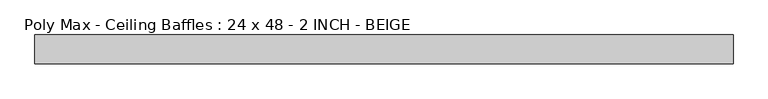
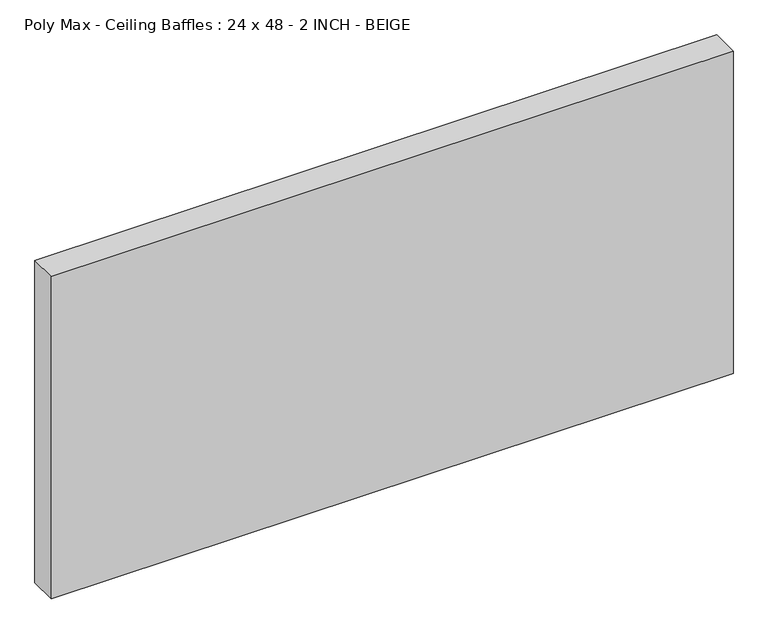
"""IFC4 building model written with IfcOpenShell, lengths in millimetres: proxy geometry, Poly Max - Ceiling Baffles : 24 x 48 - 2 INCH - BEIGE."""

from ifc_helpers import new_model, si_unit, origin, origin_with_axes, place, context, project, spatial, polyline, outline, extrude, source, transform, mapped, element, save


def poly_max_ceiling_baffles_24_x_48_2_inch_beige_998ab8e6(model_context):
    return source(origin(), model_context, "Body", "SweptSolid", [
        extrude(outline(polyline([(609.6, -50.8), (-609.6, -50.8), (-609.6, 0.0), (609.6, 0.0), (609.6, -50.8)])), origin_with_axes(), (0.0, 0.0, 1.0), 609.6),
    ])


if __name__ == "__main__":
    model = new_model("IFC4")
    model_context = context("Model", 3, world=origin())
    ifc_project = project(units=[si_unit("LENGTHUNIT", "METRE", prefix="MILLI")], contexts=[model_context])
    site = spatial("IfcSite", under=ifc_project)
    building = spatial("IfcBuilding", under=site)
    placement = place(None, origin())
    poly_max_ceiling_baffles_24_x_48_2_inch_beige_shape = poly_max_ceiling_baffles_24_x_48_2_inch_beige_998ab8e6(model_context)
    element("IfcBuildingElementProxy", 1, Name="Poly Max - Ceiling Baffles : 24 x 48 - 2 INCH - BEIGE", ObjectType="Poly Max - Ceiling Baffles : 24 x 48 - 2 INCH - BEIGE", at=placement, inside=building, context=model_context, shape_type="MappedRepresentation", body=[
        mapped(poly_max_ceiling_baffles_24_x_48_2_inch_beige_shape, transform((0.0, 0.0, 0.0), x_axis=(1.0, 0.0, 0.0), y_axis=(0.0, 1.0, 0.0), z_axis=(0.0, 0.0, 1.0))),
    ])
    save(model, "model.ifc")
